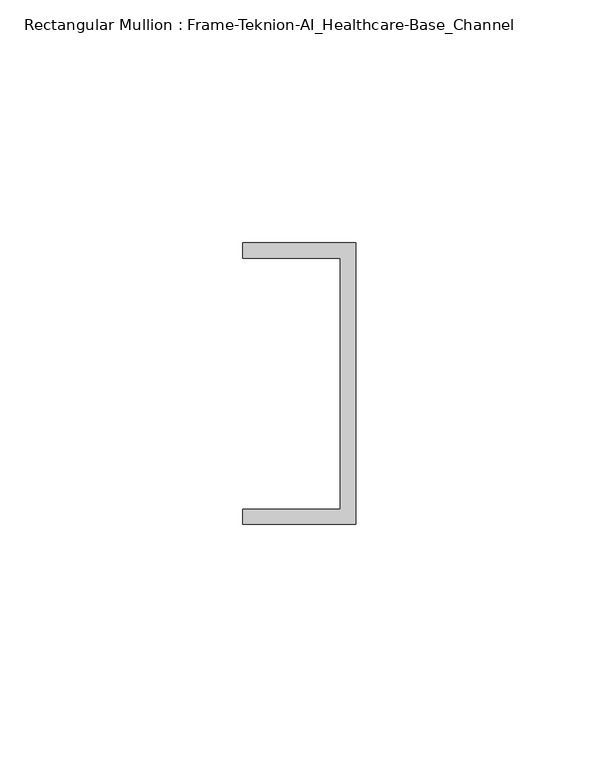
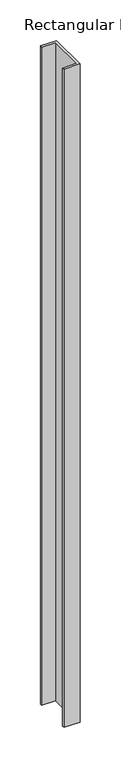
"""IFC4 building model written with IfcOpenShell, lengths in millimetres: member geometry, Rectangular Mullion : Frame-Teknion-AI_Healthcare-Base_Channel."""

from ifc_helpers import new_model, si_unit, frame, origin, place, context, project, spatial, polyline, outline, extrude, source, transform, mapped, element, save


def rectangular_mullion_frame_teknion_ai_healthcare_base_channel_6633ab10(model_context):
    return source(origin(), model_context, "Body", "SweptSolid", [
        extrude(outline(polyline([(0.0, -29.0214844), (-23.3164063, -29.0214844), (-23.3164063, -25.8464844), (-3.175, -25.8464844), (-3.175, 25.8464844), (-23.3164063, 25.8464844), (-23.3164063, 29.0214844), (0.0, 29.0214844), (0.0, -29.0214844)])), frame((0.0, 0.0, -990.6), z_axis=(0.0, 0.0, 1.0), x_axis=(1.0, 0.0, 0.0)), (0.0, 0.0, 1.0), 990.6),
    ])


if __name__ == "__main__":
    model = new_model("IFC4")
    model_context = context("Model", 3, world=origin())
    ifc_project = project(units=[si_unit("LENGTHUNIT", "METRE", prefix="MILLI")], contexts=[model_context])
    site = spatial("IfcSite", under=ifc_project)
    building = spatial("IfcBuilding", under=site)
    placement = place(None, origin())
    rectangular_mullion_frame_teknion_ai_healthcare_base_channel_shape = rectangular_mullion_frame_teknion_ai_healthcare_base_channel_6633ab10(model_context)
    element("IfcMember", 1, ObjectType="Rectangular Mullion : Frame-Teknion-AI_Healthcare-Base_Channel", at=placement, inside=building, context=model_context, shape_type="MappedRepresentation", body=[
        mapped(rectangular_mullion_frame_teknion_ai_healthcare_base_channel_shape, transform((0.0, 0.0, 0.0), x_axis=(1.0, 0.0, 0.0), y_axis=(0.0, 1.0, 0.0), z_axis=(0.0, 0.0, 1.0))),
    ])
    save(model, "model.ifc")
